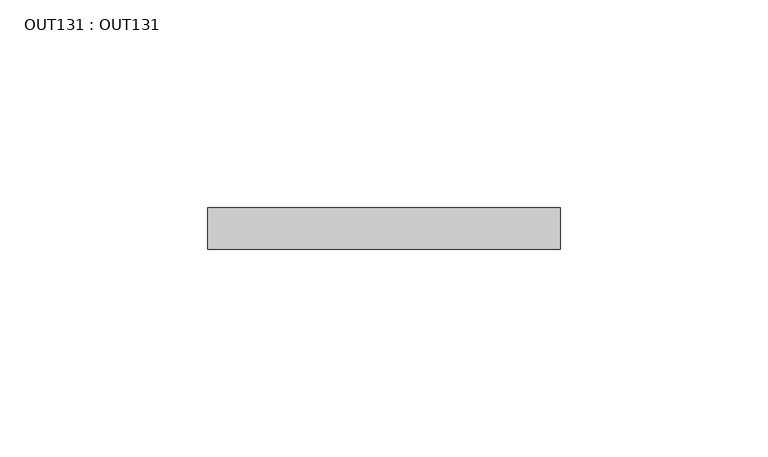
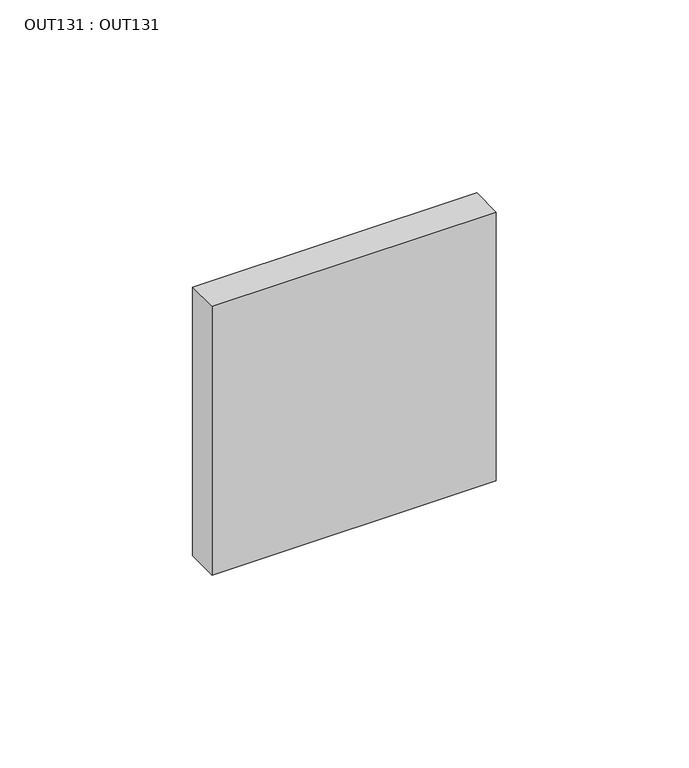
"""IFC4 building model written with IfcOpenShell, lengths in millimetres: proxy geometry, OUT131 : OUT131."""

import ifcopenshell
import ifcopenshell.guid

model = None  # the IFC model being written
_history = None  # IfcOwnerHistory: only IFC2X3 demands one
_inside = {}  # id of a spatial element -> (the spatial element, [elements in it])
_under = {}  # id of a project, library or spatial element -> (it, [spatial elements below it])
_declared = {}  # id of a project -> (the project, [libraries it declares])
_typed = {}  # id of a type object -> (the type object, [elements of that type])
_made_of = {}  # id of a material, layer set ... -> (it, [elements and type objects made of it])


def new_model(schema):
    """Start an empty IFC model of exactly this schema.

    Asked for "IFC4X3", IfcOpenShell would pick the latest addendum, in which some entities
    have other attributes; the version numbers below select the first issue.
    IFC2X3 requires an IfcOwnerHistory on every rooted entity: one is made here for all.
    """
    global model, _history
    if schema == "IFC4X3":
        model = ifcopenshell.file(schema_version=(4, 3, 0, 0))
    else:
        model = ifcopenshell.file(schema=schema)
    _inside.clear()
    _under.clear()
    _declared.clear()
    _typed.clear()
    _made_of.clear()
    _history = None
    if model.schema == "IFC2X3":
        org = make("IfcOrganization", Name="unknown")
        user = make(
            "IfcPersonAndOrganization",
            ThePerson=make("IfcPerson", FamilyName="unknown"),
            TheOrganization=org,
        )
        app = make(
            "IfcApplication",
            ApplicationDeveloper=org,
            Version="unknown",
            ApplicationFullName="unknown",
            ApplicationIdentifier="unknown",
        )
        _history = make(
            "IfcOwnerHistory",
            OwningUser=user,
            OwningApplication=app,
            ChangeAction="ADDED",
            CreationDate=0,
        )
    return model


def make(cls, **values):
    """One entity of the class cls with the attributes given. An attribute that is None is left unset."""
    return model.create_entity(
        cls, **{name: value for name, value in values.items() if value is not None}
    )


def rooted(cls, **values):
    """An entity with a GlobalId (a new one), such as an element, a storey or a relation."""
    return make(cls, GlobalId=ifcopenshell.guid.new(), OwnerHistory=_history, **values)


def si_unit(unit_type, name, prefix=None):
    """IfcSIUnit, for example si_unit("LENGTHUNIT", "METRE", prefix="MILLI")."""
    return make("IfcSIUnit", UnitType=unit_type, Prefix=prefix, Name=name)


def assignment(units):
    """IfcUnitAssignment: the units of a project."""
    return None if units is None else make("IfcUnitAssignment", Units=units)


def point(xyz):
    """IfcCartesianPoint."""
    return None if xyz is None else make("IfcCartesianPoint", Coordinates=xyz)


def direction(xyz):
    """IfcDirection."""
    return None if xyz is None else make("IfcDirection", DirectionRatios=xyz)


def frame(location, z_axis=None, x_axis=None):
    """IfcAxis2Placement3D, a coordinate frame: its origin and axes. An axis left out is left unset."""
    return make(
        "IfcAxis2Placement3D",
        Location=point(location),
        Axis=direction(z_axis),
        RefDirection=direction(x_axis),
    )


def origin():
    """The frame at (0, 0, 0) with its axes left unset."""
    return frame((0.0, 0.0, 0.0))


def place(relative_to, where):
    """IfcLocalPlacement: puts the frame where relative to a parent placement (None: the world)."""
    return make(
        "IfcLocalPlacement", PlacementRelTo=relative_to, RelativePlacement=where
    )


def context(
    kind, dimensions, precision=None, world=None, true_north=None, identifier=None
):
    """IfcGeometricRepresentationContext, for example the 3D "Model" context."""
    return make(
        "IfcGeometricRepresentationContext",
        ContextIdentifier=identifier,
        ContextType=kind,
        CoordinateSpaceDimension=dimensions,
        Precision=precision,
        WorldCoordinateSystem=world,
        TrueNorth=true_north,
    )


def project(units=None, contexts=None):
    """IfcProject with its units and contexts."""
    return rooted(
        "IfcProject",
        Name="project",
        RepresentationContexts=contexts,
        UnitsInContext=assignment(units),
    )


def spatial(cls, under=None, at=None, **own):
    """A site, building, storey or space (cls), placed at a placement, below another one or the project."""
    s = rooted(cls, ObjectPlacement=at, **own)
    if under is not None:
        _under.setdefault(under.id(), (under, []))[1].append(s)
    return s


def polyline(points):
    """IfcPolyline through the points."""
    return make("IfcPolyline", Points=[point(p) for p in points])


def outline(outer, holes=None, kind="AREA"):
    """IfcArbitraryClosedProfileDef: a profile drawn as a closed curve; with holes, ...WithVoids."""
    if holes is None:
        return make("IfcArbitraryClosedProfileDef", ProfileType=kind, OuterCurve=outer)
    return make(
        "IfcArbitraryProfileDefWithVoids",
        ProfileType=kind,
        OuterCurve=outer,
        InnerCurves=holes,
    )


def extrude(swept, where, along, depth):
    """IfcExtrudedAreaSolid: the profile swept, set in the frame where, extruded along a direction by depth."""
    return make(
        "IfcExtrudedAreaSolid",
        SweptArea=swept,
        Position=where,
        ExtrudedDirection=direction(along),
        Depth=depth,
    )


def shape(context_of_items, identifier, shape_type, items):
    """IfcShapeRepresentation: the items that make up one representation, for example the "Body"."""
    return make(
        "IfcShapeRepresentation",
        ContextOfItems=context_of_items,
        RepresentationIdentifier=identifier,
        RepresentationType=shape_type,
        Items=items,
    )


def source(mapping_origin, context_of_items, identifier, shape_type, items):
    """IfcRepresentationMap: a shape defined once, which mapped items show again and again."""
    return make(
        "IfcRepresentationMap",
        MappingOrigin=mapping_origin,
        MappedRepresentation=shape(context_of_items, identifier, shape_type, items),
    )


def transform(
    local_origin,
    x_axis=None,
    y_axis=None,
    z_axis=None,
    scale=None,
    scale2=None,
    scale3=None,
    uniform=True,
):
    """IfcCartesianTransformationOperator3D, or its non-uniform kind. x_axis, y_axis, z_axis: its Axis1, 2, 3."""
    if uniform:
        return make(
            "IfcCartesianTransformationOperator3D",
            Axis1=direction(x_axis),
            Axis2=direction(y_axis),
            LocalOrigin=point(local_origin),
            Scale=scale,
            Axis3=direction(z_axis),
        )
    return make(
        "IfcCartesianTransformationOperator3DnonUniform",
        Axis1=direction(x_axis),
        Axis2=direction(y_axis),
        LocalOrigin=point(local_origin),
        Scale=scale,
        Axis3=direction(z_axis),
        Scale2=scale2,
        Scale3=scale3,
    )


def mapped(mapping_source, mapping_target):
    """IfcMappedItem: shows the shape of a source again, moved by a transform."""
    return make(
        "IfcMappedItem", MappingSource=mapping_source, MappingTarget=mapping_target
    )


def made_of(thing, what):
    """Note that an element or type object is made of a material, layer set ...; save() writes the relation."""
    if what is not None:
        _made_of.setdefault(what.id(), (what, []))[1].append(thing)
    return thing


def element(
    cls,
    number,
    at=None,
    inside=None,
    cuts=None,
    type_object=None,
    material=None,
    context=None,
    identifier="Body",
    shape_type=None,
    held_by="IfcProductDefinitionShape",
    body=None,
    shapes=None,
    **own,
):
    """One element of the class cls, such as IfcWall. Its Tag is "e" and its number.

    at: its placement. inside: the storey or other place that contains it. cuts: it is an
    opening in that element (IfcRelVoidsElement). A single representation is given by context,
    identifier, shape_type and body (its items); several are given by shapes. held_by: the class
    of the entity that holds the representations. save() writes the other relations.
    """
    e = rooted(cls, Tag="e%d" % number, ObjectPlacement=at, **own)
    if body is not None:
        shapes = [shape(context, identifier, shape_type, body)]
    if shapes is not None:
        e.Representation = make(held_by, Representations=shapes)
    if inside is not None:
        _inside.setdefault(inside.id(), (inside, []))[1].append(e)
    if cuts is not None:
        rooted(
            "IfcRelVoidsElement", RelatingBuildingElement=cuts, RelatedOpeningElement=e
        )
    if type_object is not None:
        _typed.setdefault(type_object.id(), (type_object, []))[1].append(e)
    return made_of(e, material)


def aggregate(whole, parts):
    """IfcRelAggregates: a whole, such as a stair, and the parts it consists of."""
    return rooted("IfcRelAggregates", RelatingObject=whole, RelatedObjects=parts)


def save(model, path):
    """Write the relations noted so far, then the file.

    IfcRelAggregates (storeys below a building ...), IfcRelContainedInSpatialStructure (elements
    in a storey), IfcRelDefinesByType, IfcRelAssociatesMaterial and IfcRelDeclares: one each for
    every whole, place, type object, material and project.
    """
    for whole, parts in _under.values():
        aggregate(whole, parts)
    for where, things in _inside.values():
        rooted(
            "IfcRelContainedInSpatialStructure",
            RelatedElements=things,
            RelatingStructure=where,
        )
    for kind, things in _typed.values():
        rooted("IfcRelDefinesByType", RelatedObjects=things, RelatingType=kind)
    for what, things in _made_of.values():
        rooted("IfcRelAssociatesMaterial", RelatedObjects=things, RelatingMaterial=what)
    for by, libraries in _declared.values():
        rooted("IfcRelDeclares", RelatingContext=by, RelatedDefinitions=libraries)
    model.write(path)


def out131_out131_5cdc8e63(model_context):
    return source(origin(), model_context, "Body", "SweptSolid", [
        extrude(outline(polyline([(42.4999994, 0.0), (42.4999994, -10.0000005), (-42.4999994, -10.0000005), (-42.4999994, 0.0), (42.4999994, 0.0)])), frame((0.0, 0.0, -42.4999994), z_axis=(0.0, 0.0, 1.0), x_axis=(1.0, 0.0, 0.0)), (0.0, 0.0, 1.0), 84.9999988),
    ])


if __name__ == "__main__":
    model = new_model("IFC4")
    model_context = context("Model", 3, world=origin())
    ifc_project = project(units=[si_unit("LENGTHUNIT", "METRE", prefix="MILLI")], contexts=[model_context])
    site = spatial("IfcSite", under=ifc_project)
    building = spatial("IfcBuilding", under=site)
    placement = place(None, origin())
    out131_out131_shape = out131_out131_5cdc8e63(model_context)
    element("IfcBuildingElementProxy", 1, Name="OUT131 : OUT131", ObjectType="OUT131 : OUT131", at=placement, inside=building, context=model_context, shape_type="MappedRepresentation", body=[
        mapped(out131_out131_shape, transform((0.0, 0.0, 0.0), x_axis=(1.0, 0.0, 0.0), y_axis=(0.0, 1.0, 0.0), z_axis=(0.0, 0.0, 1.0))),
    ])
    save(model, "model.ifc")
